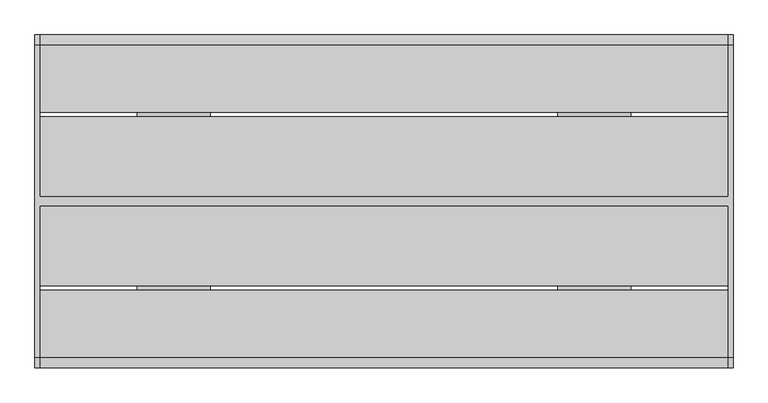
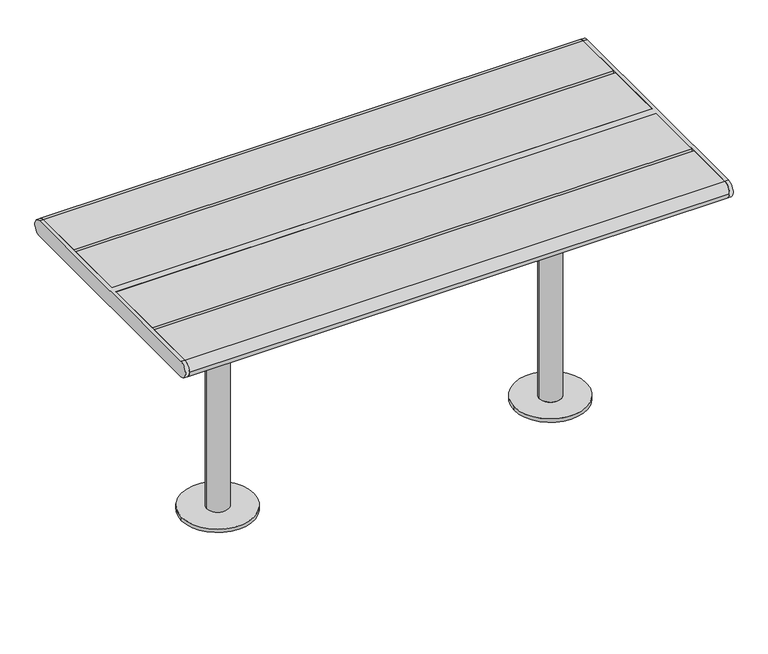
"""IFC4 building model written with IfcOpenShell, lengths in millimetres: furniture geometry."""

from ifc_helpers import new_model, si_unit, point, frame, frame_2d, origin, place, context, project, spatial, polyline, circle_curve, trimmed, segment, composite_curve, outline, extrude, source, transform, mapped, element, save
from ifc_brep_helpers import plane_surface, cylinder_surface, advanced_brep


def furniture_d2953101(model_context):
    return source(origin(), model_context, "Body", "SolidModel", [
        advanced_brep(
        [(534.9914087, 125.0, 687.0), (534.9914087, 299.0, 687.0), (534.9914087, 299.0, 695.0), (534.9914087, -299.0, 695.0), (534.9914087, -299.0, 687.0), (534.9914087, -125.0, 687.0), (534.9914087, -125.0, 679.0), (534.9914087, 125.0, 679.0), (384.9914087, 125.0, 687.0), (384.9914087, 299.0, 687.0), (376.9914087, 299.0, 687.0), (376.9914087, 299.0, 695.0), (376.9914087, -299.0, 695.0), (376.9914087, -299.0, 687.0), (384.9914087, -299.0, 687.0), (384.9914087, -125.0, 687.0), (384.9914087, -125.0, 679.0), (384.9914087, 125.0, 679.0), (489.9914087, 0.0, 679.0), (429.9914087, 0.0, 679.0), (376.9914087, 45.0, 644.0), (376.9914087, -45.0, 644.0), (384.9914087, 45.0, 644.0), (384.9914087, -45.0, 644.0), (429.9914087, 0.0, 10.0), (489.9914087, 0.0, 10.0), (559.9914087, 0.0, 10.0), (359.9914087, 0.0, 10.0), (559.9914087, 0.0, 0.0), (359.9914087, 0.0, 0.0)],
        [
            (0, 1),
            (1, 2),
            (2, 3),
            (3, 4),
            (4, 5),
            (5, 6),
            (6, 7),
            (7, 0),
            (0, 8),
            (8, 9),
            (9, 1),
            (9, 10),
            (10, 11),
            (11, 2),
            (11, 12),
            (12, 3),
            (12, 13),
            (13, 14),
            (14, 4),
            (14, 15),
            (15, 5),
            (15, 16),
            (16, 6),
            (16, 17),
            (17, 7),
            (18, 19, circle_curve(frame((459.9914087, 0.0, 679.0), z_axis=(0.0, 0.0, 1.0), x_axis=(-1.0, 0.0, 0.0)), 30.0)),
            (19, 18, circle_curve(frame((459.9914087, 0.0, 679.0), z_axis=(0.0, 0.0, 1.0), x_axis=(-1.0, 0.0, 0.0)), 30.0)),
            (17, 8),
            (20, 21),
            (21, 13),
            (10, 20),
            (22, 9),
            (14, 23),
            (23, 22),
            (22, 20),
            (21, 23),
            (19, 24),
            (24, 25, circle_curve(frame((459.9914087, 0.0, 10.0), z_axis=(0.0, 0.0, 1.0), x_axis=(-1.0, 0.0, 0.0)), 30.0)),
            (25, 18),
            (25, 24, circle_curve(frame((459.9914087, 0.0, 10.0), z_axis=(0.0, 0.0, 1.0), x_axis=(-1.0, 0.0, 0.0)), 30.0)),
            (26, 27, circle_curve(frame((459.9914087, 0.0, 10.0), z_axis=(0.0, 0.0, 1.0), x_axis=(-1.0, 0.0, 0.0)), 100.0)),
            (27, 26, circle_curve(frame((459.9914087, 0.0, 10.0), z_axis=(0.0, 0.0, 1.0), x_axis=(-1.0, 0.0, 0.0)), 100.0)),
            (28, 29, circle_curve(frame((459.9914087, 0.0, 0.0), z_axis=(0.0, 0.0, -1.0), x_axis=(-1.0, 0.0, 0.0)), 100.0)),
            (29, 28, circle_curve(frame((459.9914087, 0.0, 0.0), z_axis=(0.0, 0.0, -1.0), x_axis=(-1.0, 0.0, 0.0)), 100.0)),
            (27, 29),
            (28, 26),
        ],
        [
            plane_surface(frame((534.9914087, 299.0, 687.0), z_axis=(1.0, 0.0, 0.0), x_axis=(0.0, -1.0, 0.0))),
            plane_surface(frame((384.9914087, 125.0, 687.0), z_axis=(0.0, 0.0, -1.0), x_axis=(1.0, 0.0, 0.0))),
            plane_surface(frame((384.9914087, 299.0, 687.0), z_axis=(0.0, 1.0, 0.0), x_axis=(1.0, 0.0, 0.0))),
            plane_surface(frame((384.9914087, 299.0, 695.0), z_axis=(0.0, 0.0, 1.0), x_axis=(1.0, 0.0, 0.0))),
            plane_surface(frame((384.9914087, -299.0, 695.0), z_axis=(0.0, -1.0, 0.0), x_axis=(1.0, 0.0, 0.0))),
            plane_surface(frame((384.9914087, -299.0, 687.0), z_axis=(0.0, 0.0, -1.0), x_axis=(1.0, 0.0, 0.0))),
            plane_surface(frame((384.9914087, -125.0, 687.0), z_axis=(0.0, -1.0, 0.0), x_axis=(1.0, 0.0, 0.0))),
            plane_surface(frame((384.9914087, -125.0, 679.0), z_axis=(0.0, 0.0, -1.0), x_axis=(1.0, 0.0, 0.0))),
            plane_surface(frame((384.9914087, 125.0, 679.0), z_axis=(0.0, 1.0, 0.0), x_axis=(1.0, 0.0, 0.0))),
            plane_surface(frame((376.9914087, 299.0, 687.0), z_axis=(-1.0, 0.0, 0.0), x_axis=(0.0, 0.9859710587294898, 0.1669163603360949))),
            plane_surface(frame((384.9914087, 299.0, 687.0), z_axis=(1.0, 0.0, 0.0), x_axis=(0.0, -0.9859710587294898, -0.1669163603360949))),
            plane_surface(frame((376.9914087, 45.0, 644.0), z_axis=(0.0, 0.1669163603360949, -0.9859710587294898), x_axis=(1.0, 0.0, 0.0))),
            plane_surface(frame((376.9914087, -299.0, 687.0), z_axis=(0.0, -0.16691636033609472, -0.9859710587294899), x_axis=(1.0, 0.0, 0.0))),
            plane_surface(frame((376.9914087, -45.0, 644.0), z_axis=(0.0, 0.0, -1.0), x_axis=(1.0, 0.0, 0.0))),
            cylinder_surface(frame((459.9914087, 0.0, 10.0), z_axis=(0.0, 0.0, 1.0), x_axis=(-1.0, 0.0, 0.0)), 30.0),
            plane_surface(frame((359.9914087, 0.0, 10.0), z_axis=(0.0, 0.0, 1.0), x_axis=(0.0, 1.0, 0.0))),
            plane_surface(frame((359.9914087, 0.0, 0.0), z_axis=(0.0, 0.0, -1.0), x_axis=(0.0, -1.0, 0.0))),
            cylinder_surface(frame((459.9914087, 0.0, 0.0), z_axis=(0.0, 0.0, 1.0), x_axis=(-1.0, 0.0, 0.0)), 100.0),
        ],
        [
            (0, [[1, 2, 3, 4, 5, 6, 7, 8]]),
            (1, [[9, 10, 11, -1]]),
            (2, [[-11, 12, 13, 14, -2]]),
            (3, [[-14, 15, 16, -3]]),
            (4, [[-16, 17, 18, 19, -4]]),
            (5, [[-19, 20, 21, -5]]),
            (6, [[-21, 22, 23, -6]]),
            (7, [[-23, 24, 25, -7], [26, 27]]),
            (8, [[-25, 28, -9, -8]]),
            (9, [[29, 30, -17, -15, -13, 31]]),
            (10, [[32, -10, -28, -24, -22, -20, 33, 34]]),
            (11, [[-12, -32, 35, -31]]),
            (12, [[36, -33, -18, -30]]),
            (13, [[-35, -34, -36, -29]]),
            (14, [[-27, 37, 38, 39]]),
            (14, [[40, -37, -26, -39]]),
            (15, [[41, 42], [-40, -38]]),
            (16, [[43, 44]]),
            (17, [[45, -43, 46, -42]]),
            (17, [[-46, -44, -45, -41]]),
        ],
    ),
        advanced_brep(
        [(-534.9914087, 125.0, 687.0), (-534.9914087, 125.0, 679.0), (-534.9914087, -125.0, 679.0), (-534.9914087, -125.0, 687.0), (-534.9914087, -299.0, 687.0), (-534.9914087, -299.0, 695.0), (-534.9914087, 299.0, 695.0), (-534.9914087, 299.0, 687.0), (-384.9914087, 299.0, 687.0), (-384.9914087, 125.0, 687.0), (-376.9914087, 299.0, 695.0), (-376.9914087, 299.0, 687.0), (-376.9914087, -299.0, 695.0), (-384.9914087, -299.0, 687.0), (-376.9914087, -299.0, 687.0), (-384.9914087, -125.0, 687.0), (-384.9914087, -125.0, 679.0), (-384.9914087, 125.0, 679.0), (-489.9914087, 0.0, 679.0), (-429.9914087, 0.0, 679.0), (-376.9914087, 45.0, 644.0), (-376.9914087, -45.0, 644.0), (-384.9914087, 45.0, 644.0), (-384.9914087, -45.0, 644.0), (-489.9914087, 0.0, 10.0), (-429.9914087, 0.0, 10.0), (-559.9914087, 0.0, 10.0), (-359.9914087, 0.0, 10.0), (-559.9914087, 0.0, 0.0), (-359.9914087, 0.0, 0.0)],
        [
            (0, 1),
            (1, 2),
            (2, 3),
            (3, 4),
            (4, 5),
            (5, 6),
            (6, 7),
            (7, 0),
            (7, 8),
            (8, 9),
            (9, 0),
            (6, 10),
            (10, 11),
            (11, 8),
            (5, 12),
            (12, 10),
            (4, 13),
            (13, 14),
            (14, 12),
            (3, 15),
            (15, 13),
            (2, 16),
            (16, 15),
            (1, 17),
            (17, 16),
            (18, 19, circle_curve(frame((-459.9914087, 0.0, 679.0), z_axis=(0.0, 0.0, 1.0), x_axis=(1.0, 0.0, 0.0)), 30.0)),
            (19, 18, circle_curve(frame((-459.9914087, 0.0, 679.0), z_axis=(0.0, 0.0, 1.0), x_axis=(1.0, 0.0, 0.0)), 30.0)),
            (9, 17),
            (20, 11),
            (14, 21),
            (21, 20),
            (22, 23),
            (23, 13),
            (8, 22),
            (20, 22),
            (23, 21),
            (18, 24),
            (24, 25, circle_curve(frame((-459.9914087, 0.0, 10.0), z_axis=(0.0, 0.0, 1.0), x_axis=(1.0, 0.0, 0.0)), 30.0)),
            (25, 19),
            (25, 24, circle_curve(frame((-459.9914087, 0.0, 10.0), z_axis=(0.0, 0.0, 1.0), x_axis=(1.0, 0.0, 0.0)), 30.0)),
            (26, 27, circle_curve(frame((-459.9914087, 0.0, 10.0), z_axis=(0.0, 0.0, 1.0), x_axis=(1.0, 0.0, 0.0)), 100.0)),
            (27, 26, circle_curve(frame((-459.9914087, 0.0, 10.0), z_axis=(0.0, 0.0, 1.0), x_axis=(1.0, 0.0, 0.0)), 100.0)),
            (28, 29, circle_curve(frame((-459.9914087, 0.0, 0.0), z_axis=(0.0, 0.0, -1.0), x_axis=(1.0, 0.0, 0.0)), 100.0)),
            (29, 28, circle_curve(frame((-459.9914087, 0.0, 0.0), z_axis=(0.0, 0.0, -1.0), x_axis=(1.0, 0.0, 0.0)), 100.0)),
            (26, 28),
            (29, 27),
        ],
        [
            plane_surface(frame((-534.9914087, 299.0, 687.0), z_axis=(-1.0, 0.0, 0.0), x_axis=(0.0, -1.0, 0.0))),
            plane_surface(frame((-384.9914087, 125.0, 687.0), z_axis=(0.0, 0.0, -1.0), x_axis=(-1.0, 0.0, 0.0))),
            plane_surface(frame((-384.9914087, 299.0, 687.0), z_axis=(0.0, 1.0, 0.0), x_axis=(-1.0, 0.0, 0.0))),
            plane_surface(frame((-384.9914087, 299.0, 695.0), z_axis=(0.0, 0.0, 1.0), x_axis=(-1.0, 0.0, 0.0))),
            plane_surface(frame((-384.9914087, -299.0, 695.0), z_axis=(0.0, -1.0, 0.0), x_axis=(-1.0, 0.0, 0.0))),
            plane_surface(frame((-384.9914087, -299.0, 687.0), z_axis=(0.0, 0.0, -1.0), x_axis=(-1.0, 0.0, 0.0))),
            plane_surface(frame((-384.9914087, -125.0, 687.0), z_axis=(0.0, -1.0, 0.0), x_axis=(-1.0, 0.0, 0.0))),
            plane_surface(frame((-384.9914087, -125.0, 679.0), z_axis=(0.0, 0.0, -1.0), x_axis=(-1.0, 0.0, 0.0))),
            plane_surface(frame((-384.9914087, 125.0, 679.0), z_axis=(0.0, 1.0, 0.0), x_axis=(-1.0, 0.0, 0.0))),
            plane_surface(frame((-376.9914087, 299.0, 687.0), z_axis=(1.0, 0.0, 0.0), x_axis=(0.0, 0.9859710587294898, 0.1669163603360949))),
            plane_surface(frame((-384.9914087, 299.0, 687.0), z_axis=(-1.0, 0.0, 0.0), x_axis=(0.0, -0.9859710587294898, -0.1669163603360949))),
            plane_surface(frame((-376.9914087, 45.0, 644.0), z_axis=(0.0, 0.1669163603360949, -0.9859710587294898), x_axis=(-1.0, 0.0, 0.0))),
            plane_surface(frame((-376.9914087, -299.0, 687.0), z_axis=(0.0, -0.16691636033609472, -0.9859710587294899), x_axis=(-1.0, 0.0, 0.0))),
            plane_surface(frame((-376.9914087, -45.0, 644.0), z_axis=(0.0, 0.0, -1.0), x_axis=(-1.0, 0.0, 0.0))),
            cylinder_surface(frame((-459.9914087, 0.0, 10.0), z_axis=(0.0, 0.0, 1.0), x_axis=(1.0, 0.0, 0.0)), 30.0),
            plane_surface(frame((-359.9914087, 0.0, 10.0), z_axis=(0.0, 0.0, 1.0), x_axis=(0.0, 1.0, 0.0))),
            plane_surface(frame((-359.9914087, 0.0, 0.0), z_axis=(0.0, 0.0, -1.0), x_axis=(0.0, -1.0, 0.0))),
            cylinder_surface(frame((-459.9914087, 0.0, 0.0), z_axis=(0.0, 0.0, 1.0), x_axis=(1.0, 0.0, 0.0)), 100.0),
        ],
        [
            (0, [[1, 2, 3, 4, 5, 6, 7, 8]]),
            (1, [[-8, 9, 10, 11]]),
            (2, [[-7, 12, 13, 14, -9]]),
            (3, [[-6, 15, 16, -12]]),
            (4, [[-5, 17, 18, 19, -15]]),
            (5, [[-4, 20, 21, -17]]),
            (6, [[-3, 22, 23, -20]]),
            (7, [[-2, 24, 25, -22], [26, 27]]),
            (8, [[-1, -11, 28, -24]]),
            (9, [[29, -13, -16, -19, 30, 31]]),
            (10, [[32, 33, -21, -23, -25, -28, -10, 34]]),
            (11, [[-29, 35, -34, -14]]),
            (12, [[-30, -18, -33, 36]]),
            (13, [[-31, -36, -32, -35]]),
            (14, [[37, 38, 39, -26]]),
            (14, [[-37, -27, -39, 40]]),
            (15, [[41, 42], [-38, -40]]),
            (16, [[43, 44]]),
            (17, [[-41, 45, -44, 46]]),
            (17, [[-42, -46, -43, -45]]),
        ],
    ),
        advanced_brep(
        [(757.0, 338.5, 740.0), (757.0, -338.5, 740.0), (757.0, -338.5, 695.0), (757.0, 338.5, 695.0), (747.0, 338.5, 740.0), (747.0, 338.5, 695.0), (747.0, 10.0, 695.0), (747.0, 10.0, 740.0), (747.0, -338.5, 695.0), (747.0, -338.5, 740.0), (747.0, -10.0, 740.0), (747.0, -10.0, 695.0), (-747.0, 10.0, 740.0), (-747.0, 338.5, 740.0), (-757.0, 338.5, 740.0), (-757.0, -338.5, 740.0), (-747.0, -338.5, 740.0), (-747.0, -10.0, 740.0), (-747.0, -10.0, 695.0), (-747.0, -338.5, 695.0), (-757.0, -338.5, 695.0), (-757.0, 338.5, 695.0), (-747.0, 338.5, 695.0), (-747.0, 10.0, 695.0)],
        [
            (0, 1),
            (1, 2, circle_curve(frame((757.0, -338.5, 717.5), z_axis=(1.0, 0.0, 0.0), x_axis=(0.0, -1.0, 0.0)), 22.5)),
            (2, 3),
            (3, 0, circle_curve(frame((757.0, 338.5, 717.5), z_axis=(1.0, 0.0, 0.0), x_axis=(0.0, -1.0, 0.0)), 22.5)),
            (4, 5, circle_curve(frame((747.0, 338.5, 717.5), z_axis=(-1.0, 0.0, 0.0), x_axis=(0.0, -1.0, 0.0)), 22.5)),
            (5, 6),
            (6, 7),
            (7, 4),
            (8, 9, circle_curve(frame((747.0, -338.5, 717.5), z_axis=(-1.0, 0.0, 0.0), x_axis=(0.0, -1.0, 0.0)), 22.5)),
            (9, 10),
            (10, 11),
            (11, 8),
            (0, 4),
            (7, 12),
            (12, 13),
            (13, 14),
            (14, 15),
            (15, 16),
            (16, 17),
            (17, 10),
            (9, 1),
            (8, 2),
            (11, 18),
            (18, 19),
            (19, 20),
            (20, 21),
            (21, 22),
            (22, 23),
            (23, 6),
            (5, 3),
            (17, 18),
            (23, 12),
            (16, 19, circle_curve(frame((-747.0, -338.5, 717.5), z_axis=(1.0, 0.0, 0.0), x_axis=(0.0, -1.0, 0.0)), 22.5)),
            (22, 13, circle_curve(frame((-747.0, 338.5, 717.5), z_axis=(1.0, 0.0, 0.0), x_axis=(0.0, -1.0, 0.0)), 22.5)),
            (14, 21, circle_curve(frame((-757.0, 338.5, 717.5), z_axis=(-1.0, 0.0, 0.0), x_axis=(0.0, -1.0, 0.0)), 22.5)),
            (20, 15, circle_curve(frame((-757.0, -338.5, 717.5), z_axis=(-1.0, 0.0, 0.0), x_axis=(0.0, -1.0, 0.0)), 22.5)),
        ],
        [
            plane_surface(frame((757.0, -338.5, 740.0), z_axis=(1.0, 0.0, 0.0), x_axis=(0.0, -1.0, 0.0))),
            plane_surface(frame((747.0, -338.5, 740.0), z_axis=(-1.0, 0.0, 0.0), x_axis=(0.0, 1.0, 0.0))),
            plane_surface(frame((757.0, 338.5, 740.0), z_axis=(0.0, 0.0, 1.0), x_axis=(-1.0, 0.0, 0.0))),
            cylinder_surface(frame((747.0, -338.5, 717.5), z_axis=(1.0, 0.0, 0.0), x_axis=(0.0, -1.0, 0.0)), 22.5),
            plane_surface(frame((757.0, -338.5, 695.0), z_axis=(0.0, 0.0, -1.0), x_axis=(-1.0, 0.0, 0.0))),
            cylinder_surface(frame((747.0, 338.5, 717.5), z_axis=(1.0, 0.0, 0.0), x_axis=(0.0, -1.0, 0.0)), 22.5),
            plane_surface(frame((747.0, -10.0, 740.0), z_axis=(0.0, -1.0, 0.0), x_axis=(-1.0, 0.0, 0.0))),
            plane_surface(frame((747.0, 10.0, 695.0), z_axis=(0.0, 1.0, 0.0), x_axis=(-1.0, 0.0, 0.0))),
            plane_surface(frame((-747.0, -338.5, 740.0), z_axis=(1.0, 0.0, 0.0), x_axis=(0.0, -1.0, 0.0))),
            plane_surface(frame((-757.0, -338.5, 740.0), z_axis=(-1.0, 0.0, 0.0), x_axis=(0.0, 1.0, 0.0))),
            cylinder_surface(frame((-757.0, -338.5, 717.5), z_axis=(1.0, 0.0, 0.0), x_axis=(0.0, -1.0, 0.0)), 22.5),
            cylinder_surface(frame((-757.0, 338.5, 717.5), z_axis=(1.0, 0.0, 0.0), x_axis=(0.0, -1.0, 0.0)), 22.5),
        ],
        [
            (0, [[1, 2, 3, 4]]),
            (1, [[5, 6, 7, 8]]),
            (1, [[9, 10, 11, 12]]),
            (2, [[-1, 13, -8, 14, 15, 16, 17, 18, 19, 20, -10, 21]]),
            (3, [[-2, -21, -9, 22]]),
            (4, [[-3, -22, -12, 23, 24, 25, 26, 27, 28, 29, -6, 30]]),
            (5, [[-4, -30, -5, -13]]),
            (6, [[-20, 31, -23, -11]]),
            (7, [[-29, 32, -14, -7]]),
            (8, [[33, -24, -31, -19]]),
            (8, [[34, -15, -32, -28]]),
            (9, [[35, -26, 36, -17]]),
            (10, [[-33, -18, -36, -25]]),
            (11, [[-34, -27, -35, -16]]),
        ],
    ),
        extrude(outline(composite_curve([segment(trimmed(circle_curve(frame_2d((338.5, 717.5)), 22.5), [point((338.5, 740.0))], [point((338.5, 695.0))], False, "CARTESIAN"), True, "CONTINUOUS"), segment(polyline([(338.5, 695.0), (193.0, 695.0), (193.0, 740.0), (338.5, 740.0)]), True, "CONTINUOUS")], self_intersect=False)), frame((-747.0, 0.0, 0.0), z_axis=(1.0, 0.0, 0.0), x_axis=(0.0, 1.0, 0.0)), (0.0, 0.0, 1.0), 1494.0),
        extrude(outline(composite_curve([segment(polyline([(-193.0, 695.0), (-338.5, 695.0)]), True, "CONTINUOUS"), segment(trimmed(circle_curve(frame_2d((-338.5, 717.5)), 22.5), [point((-338.5, 695.0))], [point((-361.0, 717.5))], False, "CARTESIAN"), True, "CONTINUOUS"), segment(trimmed(circle_curve(frame_2d((-338.5, 717.5)), 22.5), [point((-361.0, 717.5))], [point((-338.5, 740.0))], False, "CARTESIAN"), True, "CONTINUOUS"), segment(polyline([(-338.5, 740.0), (-193.0, 740.0), (-193.0, 695.0)]), True, "CONTINUOUS")], self_intersect=False)), frame((-747.0, 0.0, 0.0), z_axis=(1.0, 0.0, 0.0), x_axis=(0.0, 1.0, 0.0)), (0.0, 0.0, 1.0), 1494.0),
        extrude(outline(polyline([(747.0, 183.0), (747.0, 10.0), (-747.0, 10.0), (-747.0, 183.0), (747.0, 183.0)])), frame((0.0, 0.0, 695.0), z_axis=(0.0, 0.0, 1.0), x_axis=(1.0, 0.0, 0.0)), (0.0, 0.0, 1.0), 45.0),
        extrude(outline(polyline([(747.0, -10.0), (747.0, -183.0), (-747.0, -183.0), (-747.0, -10.0), (747.0, -10.0)])), frame((0.0, 0.0, 695.0), z_axis=(0.0, 0.0, 1.0), x_axis=(1.0, 0.0, 0.0)), (0.0, 0.0, 1.0), 45.0),
    ])


if __name__ == "__main__":
    model = new_model("IFC4")
    model_context = context("Model", 3, world=origin())
    ifc_project = project(units=[si_unit("LENGTHUNIT", "METRE", prefix="MILLI")], contexts=[model_context])
    site = spatial("IfcSite", under=ifc_project)
    building = spatial("IfcBuilding", under=site)
    placement = place(None, origin())
    furniture_shape = furniture_d2953101(model_context)
    element("IfcFurniture", 1, at=placement, inside=building, context=model_context, shape_type="MappedRepresentation", body=[
        mapped(furniture_shape, transform((0.0, 0.0, 0.0), x_axis=(1.0, 0.0, 0.0), y_axis=(0.0, 1.0, 0.0), z_axis=(0.0, 0.0, 1.0))),
    ])
    save(model, "model.ifc")
